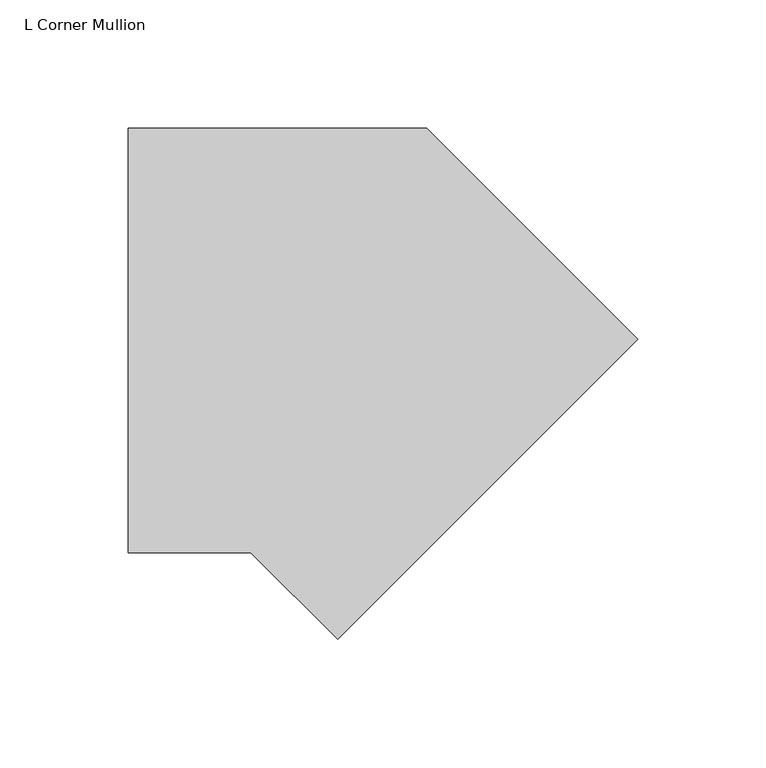
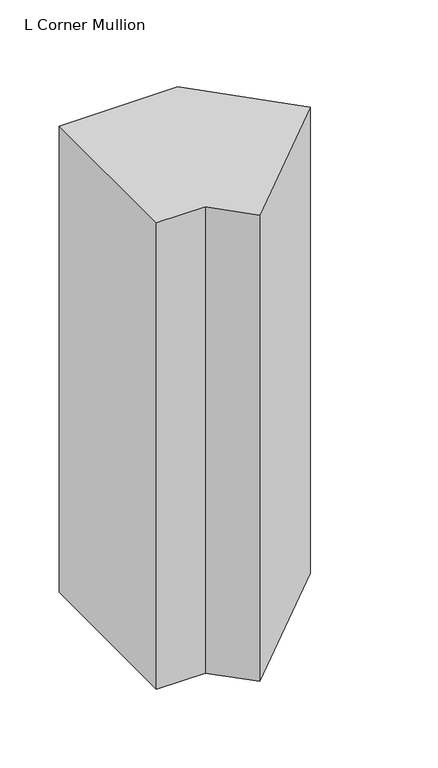
"""IFC4 building model written with IfcOpenShell, lengths in millimetres: member geometry, L Corner Mullion."""

from ifc_helpers import new_model, si_unit, frame, origin, place, context, project, spatial, polyline, outline, extrude, source, transform, mapped, element, save


def l_corner_mullion_88c0b142(model_context):
    return source(origin(), model_context, "Body", "SweptSolid", [
        extrude(outline(polyline([(-29.4239251, -186.1022218), (-63.1261469, -152.4), (-110.7882861, -152.4), (-110.7882861, 12.7), (5.2605122, 12.7), (87.3194045, -69.3588922), (-29.4239251, -186.1022218)])), frame((0.0, 0.0, -482.1103332), z_axis=(0.0, 0.0, 1.0), x_axis=(1.0, 0.0, 0.0)), (0.0, 0.0, 1.0), 482.1103332),
    ])


if __name__ == "__main__":
    model = new_model("IFC4")
    model_context = context("Model", 3, world=origin())
    ifc_project = project(units=[si_unit("LENGTHUNIT", "METRE", prefix="MILLI")], contexts=[model_context])
    site = spatial("IfcSite", under=ifc_project)
    building = spatial("IfcBuilding", under=site)
    placement = place(None, origin())
    l_corner_mullion_shape = l_corner_mullion_88c0b142(model_context)
    element("IfcMember", 1, ObjectType="L Corner Mullion", at=placement, inside=building, context=model_context, shape_type="MappedRepresentation", body=[
        mapped(l_corner_mullion_shape, transform((0.0, 0.0, 0.0), x_axis=(1.0, 0.0, 0.0), y_axis=(0.0, 1.0, 0.0), z_axis=(0.0, 0.0, 1.0))),
    ])
    save(model, "model.ifc")
